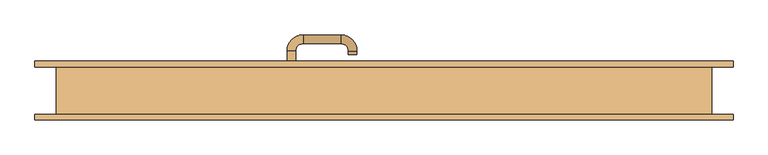
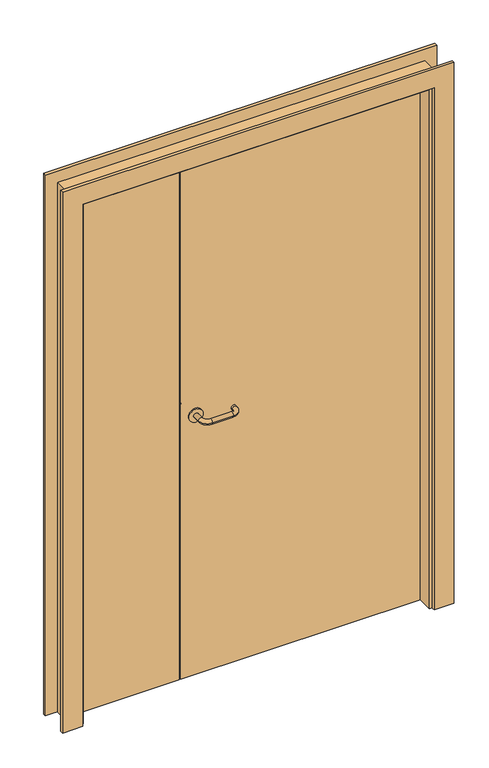
"""IFC4 building model written with IfcOpenShell, lengths in millimetres: door geometry."""

from ifc_helpers import new_model, si_unit, point, frame, origin, origin_with_axes, place, context, project, spatial, polyline, circle_curve, ellipse_curve, trimmed, outline, extrude, faceted_brep, source, transform, mapped, element, save
from ifc_brep_helpers import plane_surface, cylinder_surface, revolved_surface, advanced_brep


def door_7789d2d9(model_context):
    return source(origin(), model_context, "Body", "SolidModel", [
        advanced_brep(
        [(-169.0, 50.0, 1030.0), (-221.0, 50.0, 1030.0), (-186.0, 83.9849603, 1030.0), (-204.0, 83.9849603, 1030.0), (-204.0, 55.0, 1030.0), (-186.0, 55.0, 1030.0), (-170.0, 99.9849603, 1030.0), (-170.0, 117.9849603, 1030.0), (-91.0, 99.9849603, 1030.0), (-91.0, 117.9849603, 1030.0), (-75.0, 83.9849603, 1030.0), (-57.0, 83.9849603, 1030.0), (-75.0, 75.9849603, 1030.0), (-57.0, 75.9849603, 1030.0), (-169.0, 55.0, 1030.0), (-221.0, 55.0, 1030.0)],
        [
            (0, 1, circle_curve(frame((-195.0, 50.0, 1030.0), z_axis=(0.0, -1.0, 0.0), x_axis=(-1.0, 0.0, 0.0)), 26.0)),
            (1, 0, circle_curve(frame((-195.0, 50.0, 1030.0), z_axis=(0.0, -1.0, 0.0), x_axis=(-1.0, 0.0, 0.0)), 26.0)),
            (2, 3, circle_curve(frame((-195.0, 83.9849603, 1030.0), z_axis=(0.0, -1.0, 0.0), x_axis=(-1.0, 0.0, 0.0)), 9.0)),
            (3, 4),
            (4, 5, circle_curve(frame((-195.0, 55.0, 1030.0), z_axis=(0.0, 1.0, 0.0), x_axis=(-1.0, 0.0, 0.0)), 9.0)),
            (5, 2),
            (3, 2, circle_curve(frame((-195.0, 83.9849603, 1030.0), z_axis=(0.0, -1.0, 0.0), x_axis=(-1.0, 0.0, 0.0)), 9.0)),
            (5, 4, circle_curve(frame((-195.0, 55.0, 1030.0), z_axis=(0.0, 1.0, 0.0), x_axis=(-1.0, 0.0, 0.0)), 9.0)),
            (2, 6, circle_curve(frame((-170.0, 83.9849603, 1030.0), z_axis=(0.0, 0.0, -1.0), x_axis=(-1.0, 0.0, 0.0)), 16.0)),
            (6, 7, circle_curve(frame((-170.0, 108.9849603, 1030.0), z_axis=(-1.0, 0.0, 0.0), x_axis=(0.0, 1.0, 0.0)), 9.0)),
            (7, 3, circle_curve(frame((-170.0, 83.9849603, 1030.0), z_axis=(0.0, 0.0, 1.0), x_axis=(-1.0, 0.0, 0.0)), 34.0)),
            (7, 6, circle_curve(frame((-170.0, 108.9849603, 1030.0), z_axis=(-1.0, 0.0, 0.0), x_axis=(0.0, 1.0, 0.0)), 9.0)),
            (6, 8),
            (8, 9, circle_curve(frame((-91.0, 108.9849603, 1030.0), z_axis=(-1.0, 0.0, 0.0), x_axis=(0.0, 1.0, 0.0)), 9.0)),
            (9, 7),
            (9, 8, circle_curve(frame((-91.0, 108.9849603, 1030.0), z_axis=(-1.0, 0.0, 0.0), x_axis=(0.0, 1.0, 0.0)), 9.0)),
            (8, 10, circle_curve(frame((-91.0, 83.9849603, 1030.0), z_axis=(0.0, 0.0, -1.0), x_axis=(0.0, 1.0, 0.0)), 16.0)),
            (10, 11, circle_curve(frame((-66.0, 83.9849603, 1030.0), z_axis=(0.0, 1.0, 0.0), x_axis=(1.0, 0.0, 0.0)), 9.0)),
            (11, 9, circle_curve(frame((-91.0, 83.9849603, 1030.0), z_axis=(0.0, 0.0, 1.0), x_axis=(0.0, 1.0, 0.0)), 34.0)),
            (11, 10, circle_curve(frame((-66.0, 83.9849603, 1030.0), z_axis=(0.0, 1.0, 0.0), x_axis=(1.0, 0.0, 0.0)), 9.0)),
            (12, 13, circle_curve(frame((-66.0, 75.9849603, 1030.0), z_axis=(0.0, -1.0, 0.0), x_axis=(1.0, 0.0, 0.0)), 9.0)),
            (13, 12, circle_curve(frame((-66.0, 75.9849603, 1030.0), z_axis=(0.0, -1.0, 0.0), x_axis=(1.0, 0.0, 0.0)), 9.0)),
            (10, 12),
            (13, 11),
            (14, 15, circle_curve(frame((-195.0, 55.0, 1030.0), z_axis=(0.0, 1.0, 0.0), x_axis=(-1.0, 0.0, 0.0)), 26.0)),
            (15, 14, circle_curve(frame((-195.0, 55.0, 1030.0), z_axis=(0.0, 1.0, 0.0), x_axis=(-1.0, 0.0, 0.0)), 26.0)),
            (14, 0),
            (1, 15),
        ],
        [
            plane_surface(frame((-195.0, 50.0, 1030.0), z_axis=(0.0, -1.0, 0.0), x_axis=(0.0, 0.0, 1.0))),
            cylinder_surface(frame((-195.0, 50.0, 1030.0), z_axis=(0.0, -1.0, 0.0), x_axis=(-1.0, 0.0, 0.0)), 9.0),
            revolved_surface(trimmed(ellipse_curve(frame((-195.0, 83.9849603, 1030.0), z_axis=(0.0, -1.0, 0.0), x_axis=(-1.0, 0.0, 0.0)), 9.0, 9.0), [point((-186.0, 83.9849603, 1030.0))], [point((-204.0, 83.9849603, 1030.0))], True, "CARTESIAN"), (-170.0, 83.9849603, 1030.0), (0.0, 0.0, -1.0)),
            revolved_surface(trimmed(ellipse_curve(frame((-195.0, 83.9849603, 1030.0), z_axis=(0.0, -1.0, 0.0), x_axis=(-1.0, 0.0, 0.0)), 9.0, 9.0), [point((-204.0, 83.9849603, 1030.0))], [point((-186.0, 83.9849603, 1030.0))], True, "CARTESIAN"), (-170.0, 83.9849603, 1030.0), (0.0, 0.0, -1.0)),
            cylinder_surface(frame((-170.0, 108.9849603, 1030.0), z_axis=(-1.0, 0.0, 0.0), x_axis=(0.0, 1.0, 0.0)), 9.0),
            revolved_surface(trimmed(ellipse_curve(frame((-91.0, 108.9849603, 1030.0), z_axis=(-1.0, 0.0, 0.0), x_axis=(0.0, 1.0, 0.0)), 9.0, 9.0), [point((-91.0, 99.9849603, 1030.0))], [point((-91.0, 117.9849603, 1030.0))], True, "CARTESIAN"), (-91.0, 83.9849603, 1030.0), (0.0, 0.0, -1.0)),
            revolved_surface(trimmed(ellipse_curve(frame((-91.0, 108.9849603, 1030.0), z_axis=(-1.0, 0.0, 0.0), x_axis=(0.0, 1.0, 0.0)), 9.0, 9.0), [point((-91.0, 117.9849603, 1030.0))], [point((-91.0, 99.9849603, 1030.0))], True, "CARTESIAN"), (-91.0, 83.9849603, 1030.0), (0.0, 0.0, -1.0)),
            plane_surface(frame((-66.0, 75.9849603, 1030.0), z_axis=(0.0, -1.0, 0.0), x_axis=(0.0, 0.0, 1.0))),
            cylinder_surface(frame((-66.0, 83.9849603, 1030.0), z_axis=(0.0, 1.0, 0.0), x_axis=(1.0, 0.0, 0.0)), 9.0),
            plane_surface(frame((-221.0, 55.0, 1030.0), z_axis=(0.0, 1.0, 0.0), x_axis=(0.0, 0.0, 1.0))),
            cylinder_surface(frame((-195.0, 50.0, 1030.0), z_axis=(0.0, 1.0, 0.0), x_axis=(-1.0, 0.0, 0.0)), 26.0),
        ],
        [
            (0, [[1, 2]]),
            (1, [[3, 4, 5, 6]]),
            (1, [[7, -6, 8, -4]]),
            (2, [[-3, 9, 10, 11]]),
            (3, [[-7, -11, 12, -9]]),
            (4, [[-10, 13, 14, 15]]),
            (4, [[-12, -15, 16, -13]]),
            (5, [[-14, 17, 18, 19]]),
            (6, [[-16, -19, 20, -17]]),
            (7, [[21, 22]]),
            (8, [[-18, 23, -22, 24]]),
            (8, [[-20, -24, -21, -23]]),
            (9, [[25, 26], [-5, -8]]),
            (10, [[-25, 27, -2, 28]]),
            (10, [[-26, -28, -1, -27]]),
        ],
    ),
        advanced_brep(
        [(-169.0, 10.0, 1030.0), (-221.0, 10.0, 1030.0), (-186.0, -23.9849603, 1030.0), (-186.0, 5.0, 1030.0), (-204.0, 5.0, 1030.0), (-204.0, -23.9849603, 1030.0), (-170.0, -57.9849603, 1030.0), (-170.0, -39.9849603, 1030.0), (-91.0, -57.9849603, 1030.0), (-91.0, -39.9849603, 1030.0), (-57.0, -23.9849603, 1030.0), (-75.0, -23.9849603, 1030.0), (-75.0, -15.9849603, 1030.0), (-57.0, -15.9849603, 1030.0), (-169.0, 5.0, 1030.0), (-221.0, 5.0, 1030.0)],
        [
            (0, 1, circle_curve(frame((-195.0, 10.0, 1030.0), z_axis=(0.0, 1.0, 0.0), x_axis=(-1.0, 0.0, 0.0)), 26.0)),
            (1, 0, circle_curve(frame((-195.0, 10.0, 1030.0), z_axis=(0.0, 1.0, 0.0), x_axis=(-1.0, 0.0, 0.0)), 26.0)),
            (2, 3),
            (3, 4, circle_curve(frame((-195.0, 5.0, 1030.0), z_axis=(0.0, -1.0, 0.0), x_axis=(-1.0, 0.0, 0.0)), 9.0)),
            (4, 5),
            (5, 2, circle_curve(frame((-195.0, -23.9849603, 1030.0), z_axis=(0.0, 1.0, 0.0), x_axis=(-1.0, 0.0, 0.0)), 9.0)),
            (4, 3, circle_curve(frame((-195.0, 5.0, 1030.0), z_axis=(0.0, -1.0, 0.0), x_axis=(-1.0, 0.0, 0.0)), 9.0)),
            (2, 5, circle_curve(frame((-195.0, -23.9849603, 1030.0), z_axis=(0.0, 1.0, 0.0), x_axis=(-1.0, 0.0, 0.0)), 9.0)),
            (5, 6, circle_curve(frame((-170.0, -23.9849603, 1030.0), z_axis=(0.0, 0.0, 1.0), x_axis=(-1.0, 0.0, 0.0)), 34.0)),
            (6, 7, circle_curve(frame((-170.0, -48.9849603, 1030.0), z_axis=(-1.0, 0.0, 0.0), x_axis=(0.0, -1.0, 0.0)), 9.0)),
            (7, 2, circle_curve(frame((-170.0, -23.9849603, 1030.0), z_axis=(0.0, 0.0, -1.0), x_axis=(-1.0, 0.0, 0.0)), 16.0)),
            (7, 6, circle_curve(frame((-170.0, -48.9849603, 1030.0), z_axis=(-1.0, 0.0, 0.0), x_axis=(0.0, -1.0, 0.0)), 9.0)),
            (6, 8),
            (8, 9, circle_curve(frame((-91.0, -48.9849603, 1030.0), z_axis=(-1.0, 0.0, 0.0), x_axis=(0.0, -1.0, 0.0)), 9.0)),
            (9, 7),
            (9, 8, circle_curve(frame((-91.0, -48.9849603, 1030.0), z_axis=(-1.0, 0.0, 0.0), x_axis=(0.0, -1.0, 0.0)), 9.0)),
            (8, 10, circle_curve(frame((-91.0, -23.9849603, 1030.0), z_axis=(0.0, 0.0, 1.0), x_axis=(0.0, -1.0, 0.0)), 34.0)),
            (10, 11, circle_curve(frame((-66.0, -23.9849603, 1030.0), z_axis=(0.0, -1.0, 0.0), x_axis=(1.0, 0.0, 0.0)), 9.0)),
            (11, 9, circle_curve(frame((-91.0, -23.9849603, 1030.0), z_axis=(0.0, 0.0, -1.0), x_axis=(0.0, -1.0, 0.0)), 16.0)),
            (11, 10, circle_curve(frame((-66.0, -23.9849603, 1030.0), z_axis=(0.0, -1.0, 0.0), x_axis=(1.0, 0.0, 0.0)), 9.0)),
            (12, 13, circle_curve(frame((-66.0, -15.9849603, 1030.0), z_axis=(0.0, 1.0, 0.0), x_axis=(1.0, 0.0, 0.0)), 9.0)),
            (13, 12, circle_curve(frame((-66.0, -15.9849603, 1030.0), z_axis=(0.0, 1.0, 0.0), x_axis=(1.0, 0.0, 0.0)), 9.0)),
            (10, 13),
            (12, 11),
            (14, 15, circle_curve(frame((-195.0, 5.0, 1030.0), z_axis=(0.0, -1.0, 0.0), x_axis=(-1.0, 0.0, 0.0)), 26.0)),
            (15, 14, circle_curve(frame((-195.0, 5.0, 1030.0), z_axis=(0.0, -1.0, 0.0), x_axis=(-1.0, 0.0, 0.0)), 26.0)),
            (15, 1),
            (0, 14),
        ],
        [
            plane_surface(frame((-195.0, 10.0, 1030.0), z_axis=(0.0, 1.0, 0.0), x_axis=(0.0, 0.0, 1.0))),
            cylinder_surface(frame((-195.0, 10.0, 1030.0), z_axis=(0.0, 1.0, 0.0), x_axis=(-1.0, 0.0, 0.0)), 9.0),
            revolved_surface(trimmed(ellipse_curve(frame((-195.0, -23.9849603, 1030.0), z_axis=(0.0, -1.0, 0.0), x_axis=(-1.0, 0.0, 0.0)), 9.0, 9.0), [point((-186.0, -23.9849603, 1030.0))], [point((-204.0, -23.9849603, 1030.0))], True, "CARTESIAN"), (-170.0, -23.9849603, 1030.0), (0.0, 0.0, -1.0)),
            revolved_surface(trimmed(ellipse_curve(frame((-195.0, -23.9849603, 1030.0), z_axis=(0.0, -1.0, 0.0), x_axis=(-1.0, 0.0, 0.0)), 9.0, 9.0), [point((-204.0, -23.9849603, 1030.0))], [point((-186.0, -23.9849603, 1030.0))], True, "CARTESIAN"), (-170.0, -23.9849603, 1030.0), (0.0, 0.0, -1.0)),
            cylinder_surface(frame((-170.0, -48.9849603, 1030.0), z_axis=(-1.0, 0.0, 0.0), x_axis=(0.0, -1.0, 0.0)), 9.0),
            revolved_surface(trimmed(ellipse_curve(frame((-91.0, -48.9849603, 1030.0), z_axis=(1.0, 0.0, 0.0), x_axis=(0.0, -1.0, 0.0)), 9.0, 9.0), [point((-91.0, -39.9849603, 1030.0))], [point((-91.0, -57.9849603, 1030.0))], True, "CARTESIAN"), (-91.0, -23.9849603, 1030.0), (0.0, 0.0, -1.0)),
            revolved_surface(trimmed(ellipse_curve(frame((-91.0, -48.9849603, 1030.0), z_axis=(1.0, 0.0, 0.0), x_axis=(0.0, -1.0, 0.0)), 9.0, 9.0), [point((-91.0, -57.9849603, 1030.0))], [point((-91.0, -39.9849603, 1030.0))], True, "CARTESIAN"), (-91.0, -23.9849603, 1030.0), (0.0, 0.0, -1.0)),
            plane_surface(frame((-66.0, -15.9849603, 1030.0), z_axis=(0.0, 1.0, 0.0), x_axis=(0.0, 0.0, 1.0))),
            cylinder_surface(frame((-66.0, -23.9849603, 1030.0), z_axis=(0.0, -1.0, 0.0), x_axis=(1.0, 0.0, 0.0)), 9.0),
            plane_surface(frame((-221.0, 5.0, 1030.0), z_axis=(0.0, -1.0, 0.0), x_axis=(0.0, 0.0, 1.0))),
            cylinder_surface(frame((-195.0, 10.0, 1030.0), z_axis=(0.0, -1.0, 0.0), x_axis=(-1.0, 0.0, 0.0)), 26.0),
        ],
        [
            (0, [[1, 2]]),
            (1, [[3, 4, 5, 6]]),
            (1, [[-5, 7, -3, 8]]),
            (2, [[9, 10, 11, -6]]),
            (3, [[-11, 12, -9, -8]]),
            (4, [[13, 14, 15, -10]]),
            (4, [[-15, 16, -13, -12]]),
            (5, [[17, 18, 19, -14]]),
            (6, [[-19, 20, -17, -16]]),
            (7, [[21, 22]]),
            (8, [[23, -21, 24, -18]]),
            (8, [[-24, -22, -23, -20]]),
            (9, [[25, 26], [-7, -4]]),
            (10, [[27, -1, 28, -26]]),
            (10, [[-28, -2, -27, -25]]),
        ],
    ),
        extrude(outline(polyline([(2070.0, -660.0), (2070.0, 660.0), (0.0, 660.0), (0.0, 735.0), (2145.0, 735.0), (2145.0, -735.0), (0.0, -735.0), (0.0, -660.0), (2070.0, -660.0)])), frame((0.0, -62.0, 0.0), z_axis=(0.0, 1.0, 0.0), x_axis=(0.0, 0.0, 1.0)), (0.0, 0.0, 1.0), 12.0),
        extrude(outline(polyline([(2145.0, -735.0), (0.0, -735.0), (0.0, -660.0), (2070.0, -660.0), (2070.0, 660.0), (0.0, 660.0), (0.0, 735.0), (2145.0, 735.0), (2145.0, -735.0)])), frame((0.0, 50.0, 0.0), z_axis=(0.0, 1.0, 0.0), x_axis=(0.0, 0.0, 1.0)), (0.0, 0.0, 1.0), 12.0),
        faceted_brep([(-690.0, -50.0, 0.0), (-690.0, 50.0, 0.0), (-660.0, 50.0, 0.0), (-660.0, 10.0, 0.0), (-650.0, 10.0, 0.0), (-650.0, -50.0, 0.0), (-650.0, -50.0, 2060.0), (650.0, -50.0, 2060.0), (650.0, -50.0, 0.0), (690.0, -50.0, 0.0), (690.0, -50.0, 2100.0), (-690.0, -50.0, 2100.0), (-650.0, 10.0, 2060.0), (-660.0, 10.0, 2070.0), (660.0, 10.0, 2070.0), (660.0, 10.0, 0.0), (650.0, 10.0, 0.0), (650.0, 10.0, 2060.0), (-660.0, 50.0, 2070.0), (-690.0, 50.0, 2100.0), (690.0, 50.0, 2100.0), (690.0, 50.0, 0.0), (660.0, 50.0, 0.0), (660.0, 50.0, 2070.0)], [[[0, 1, 2, 3, 4, 5]], [[5, 6, 7, 8, 9, 10, 11, 0]], [[4, 12, 6, 5]], [[3, 13, 14, 15, 16, 17, 12, 4]], [[2, 18, 13, 3]], [[1, 19, 20, 21, 22, 23, 18, 2]], [[0, 11, 19, 1]], [[10, 9, 21, 20]], [[9, 8, 16, 15, 22, 21]], [[17, 16, 8, 7]], [[23, 22, 15, 14]], [[12, 17, 7, 6]], [[18, 23, 14, 13]], [[11, 10, 20, 19]]]),
        extrude(outline(polyline([(-655.0, 50.0), (-255.0, 50.0), (-255.0, 10.0), (-655.0, 10.0), (-655.0, 50.0)])), origin_with_axes(), (0.0, 0.0, 1.0), 2065.0),
        extrude(outline(polyline([(-250.0, 50.0), (655.0, 50.0), (655.0, 10.0), (-250.0, 10.0), (-250.0, 50.0)])), origin_with_axes(), (0.0, 0.0, 1.0), 2065.0),
    ])


if __name__ == "__main__":
    model = new_model("IFC4")
    model_context = context("Model", 3, world=origin())
    ifc_project = project(units=[si_unit("LENGTHUNIT", "METRE", prefix="MILLI")], contexts=[model_context])
    site = spatial("IfcSite", under=ifc_project)
    building = spatial("IfcBuilding", under=site)
    placement = place(None, origin())
    door_shape = door_7789d2d9(model_context)
    element("IfcDoor", 1, at=placement, inside=building, context=model_context, shape_type="MappedRepresentation", body=[
        mapped(door_shape, transform((0.0, 0.0, 0.0), x_axis=(1.0, 0.0, 0.0), y_axis=(0.0, 1.0, 0.0), z_axis=(0.0, 0.0, 1.0))),
    ])
    save(model, "model.ifc")
